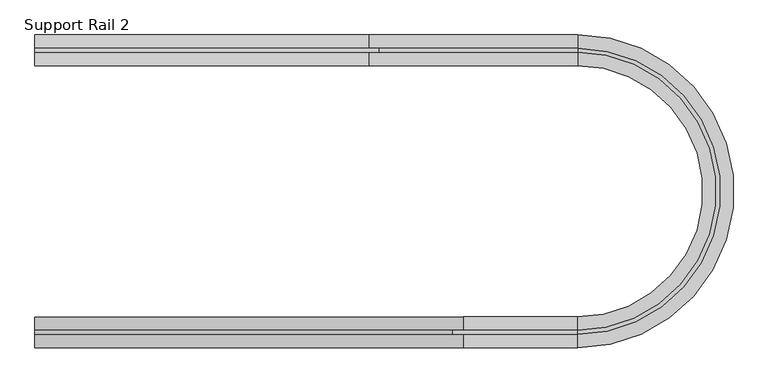
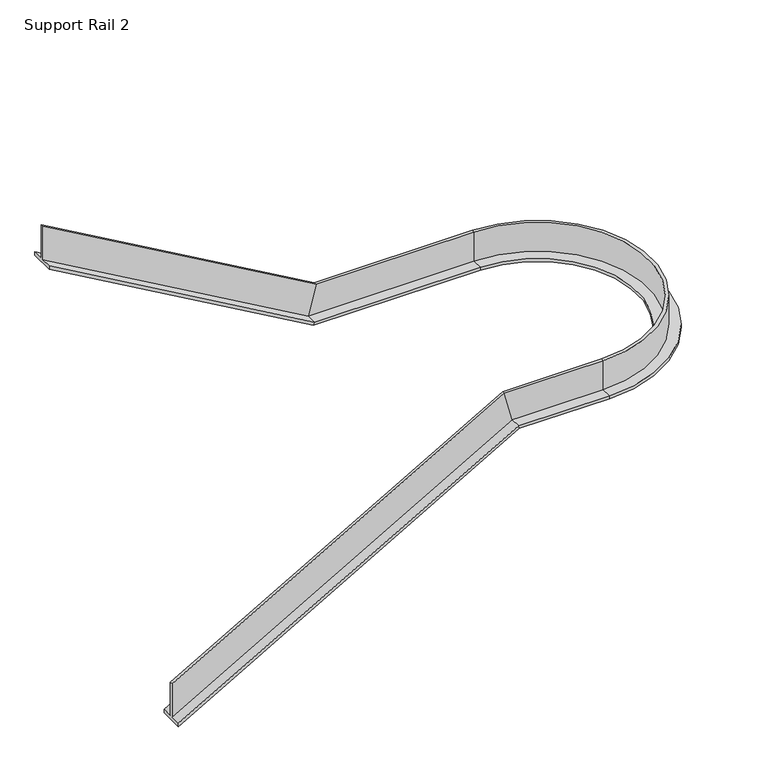
"""IFC4 building model written with IfcOpenShell, lengths in millimetres: railing geometry, Support Rail 2."""

from ifc_helpers import new_model, si_unit, frame, origin, place, context, project, spatial, polyline, circle_curve, source, transform, mapped, element, save
from ifc_brep_helpers import plane_surface, cylinder_surface, revolved_surface, advanced_brep


def support_rail_2_347eb7cb(model_context):
    return source(origin(), model_context, "Body", "AdvancedBrep", [
        advanced_brep(
        [(-4447.5942048, 3715.5540684, 2589.7062201), (-4447.5942048, 3804.4540684, 2589.7062201), (-4447.5942048, 3804.4540684, 2560.4172249), (-4447.5942048, 3601.2540684, 2560.4172249), (-4447.5942048, 3601.2540684, 2589.7062201), (-4447.5942048, 3690.1540684, 2589.7062201), (-4447.5942048, 3690.1540684, 2882.5961722), (-4447.5942048, 3715.5540684, 2882.5961722), (-2244.5675382, 3715.5540684, 1324.8105263), (-2244.5675382, 3804.4540684, 1324.8105263), (-2251.3408715, 3804.4540684, 1299.4105263), (-2251.3408715, 3601.2540684, 1299.4105263), (-2244.5675382, 3601.2540684, 1324.8105263), (-2244.5675382, 3690.1540684, 1324.8105263), (-2176.8342048, 3690.1540684, 1578.8105263), (-2176.8342048, 3715.5540684, 1578.8105263), (-866.1942048, 3715.5540684, 1324.8105263), (-866.1942048, 3804.4540684, 1324.8105263), (-866.1942048, 3804.4540684, 1299.4105263), (-866.1942048, 3601.2540684, 1299.4105263), (-866.1942048, 3601.2540684, 1324.8105263), (-866.1942048, 3690.1540684, 1324.8105263), (-866.1942048, 3690.1540684, 1578.8105263), (-866.1942048, 3715.5540684, 1578.8105263), (-866.1942048, 1739.8626429, 1324.8105263), (-866.1942048, 1828.7626429, 1324.8105263), (-866.1942048, 1739.8626429, 1299.4105263), (-866.1942048, 1943.0626429, 1299.4105263), (-866.1942048, 1943.0626429, 1324.8105263), (-866.1942048, 1854.1626429, 1324.8105263), (-866.1942048, 1854.1626429, 1578.8105263), (-866.1942048, 1828.7626429, 1578.8105263), (-1621.4208715, 1828.7626429, 1324.8105263), (-1621.4208715, 1739.8626429, 1324.8105263), (-1614.6475382, 1739.8626429, 1299.4105263), (-1614.6475382, 1943.0626429, 1299.4105263), (-1621.4208715, 1943.0626429, 1324.8105263), (-1621.4208715, 1854.1626429, 1324.8105263), (-1689.1542048, 1854.1626429, 1578.8105263), (-1689.1542048, 1828.7626429, 1578.8105263), (-4447.5942048, 1828.7626429, -297.8727273), (-4447.5942048, 1828.7626429, -4.9827751), (-4447.5942048, 1854.1626429, -4.9827751), (-4447.5942048, 1854.1626429, -297.8727273), (-4447.5942048, 1943.0626429, -297.8727273), (-4447.5942048, 1943.0626429, -327.1617225), (-4447.5942048, 1739.8626429, -327.1617225), (-4447.5942048, 1739.8626429, -297.8727273)],
        [
            (0, 1),
            (1, 2),
            (2, 3),
            (3, 4),
            (4, 5),
            (5, 6),
            (6, 7),
            (7, 0),
            (0, 8),
            (8, 9),
            (9, 1),
            (9, 10),
            (10, 2),
            (10, 11),
            (11, 3),
            (11, 12),
            (12, 4),
            (12, 13),
            (13, 5),
            (13, 14),
            (14, 6),
            (14, 15),
            (15, 7),
            (15, 8),
            (8, 16),
            (16, 17),
            (17, 9),
            (17, 18),
            (18, 10),
            (18, 19),
            (19, 11),
            (19, 20),
            (20, 12),
            (20, 21),
            (21, 13),
            (21, 22),
            (22, 14),
            (22, 23),
            (23, 15),
            (23, 16),
            (24, 17, circle_curve(frame((-866.1942048, 2772.1583556, 1324.8105263), z_axis=(0.0, 0.0, 1.0), x_axis=(0.0, 1.0, 0.0)), 1032.2957128)),
            (16, 25, circle_curve(frame((-866.1942048, 2772.1583556, 1324.8105263), z_axis=(0.0, 0.0, -1.0), x_axis=(0.0, 1.0, 0.0)), 943.3957128)),
            (25, 24),
            (26, 18, circle_curve(frame((-866.1942048, 2772.1583556, 1299.4105263), z_axis=(0.0, 0.0, 1.0), x_axis=(0.0, 1.0, 0.0)), 1032.2957128)),
            (24, 26),
            (27, 19, circle_curve(frame((-866.1942048, 2772.1583556, 1299.4105263), z_axis=(0.0, 0.0, 1.0), x_axis=(0.0, 1.0, 0.0)), 829.0957128)),
            (26, 27),
            (28, 20, circle_curve(frame((-866.1942048, 2772.1583556, 1324.8105263), z_axis=(0.0, 0.0, 1.0), x_axis=(0.0, 1.0, 0.0)), 829.0957128)),
            (27, 28),
            (29, 21, circle_curve(frame((-866.1942048, 2772.1583556, 1324.8105263), z_axis=(0.0, 0.0, 1.0), x_axis=(0.0, 1.0, 0.0)), 917.9957128)),
            (28, 29),
            (30, 22, circle_curve(frame((-866.1942048, 2772.1583556, 1578.8105263), z_axis=(0.0, 0.0, 1.0), x_axis=(0.0, 1.0, 0.0)), 917.9957128)),
            (29, 30),
            (31, 23, circle_curve(frame((-866.1942048, 2772.1583556, 1578.8105263), z_axis=(0.0, 0.0, 1.0), x_axis=(0.0, 1.0, 0.0)), 943.3957128)),
            (30, 31),
            (31, 25),
            (25, 32),
            (32, 33),
            (33, 24),
            (33, 34),
            (34, 26),
            (34, 35),
            (35, 27),
            (35, 36),
            (36, 28),
            (36, 37),
            (37, 29),
            (37, 38),
            (38, 30),
            (38, 39),
            (39, 31),
            (39, 32),
            (40, 41),
            (41, 42),
            (42, 43),
            (43, 44),
            (44, 45),
            (45, 46),
            (46, 47),
            (47, 40),
            (32, 40),
            (47, 33),
            (46, 34),
            (45, 35),
            (44, 36),
            (43, 37),
            (42, 38),
            (41, 39),
        ],
        [
            plane_surface(frame((-4447.5942048, 3702.8540684, 3937.0), z_axis=(-1.0, 0.0, 0.0), x_axis=(0.0, 1.0, 0.0))),
            plane_surface(frame((-4447.5942048, 3715.5540684, 2589.7062201), z_axis=(0.4979253112033197, 0.0, 0.867219917012448), x_axis=(0.867219917012448, 0.0, -0.4979253112033197))),
            plane_surface(frame((-4447.5942048, 3804.4540684, 2589.7062201), z_axis=(0.0, 1.0, 0.0), x_axis=(0.867219917012448, 0.0, -0.4979253112033196))),
            plane_surface(frame((-4447.5942048, 3804.4540684, 2560.4172249), z_axis=(-0.49792531120331973, 0.0, -0.867219917012448), x_axis=(0.867219917012448, 0.0, -0.49792531120331973))),
            plane_surface(frame((-4447.5942048, 3601.2540684, 2560.4172249), z_axis=(0.0, -1.0, 0.0), x_axis=(0.867219917012448, 0.0, -0.4979253112033196))),
            plane_surface(frame((-4447.5942048, 3601.2540684, 2589.7062201), z_axis=(0.4979253112033197, 0.0, 0.867219917012448), x_axis=(0.867219917012448, 0.0, -0.4979253112033197))),
            plane_surface(frame((-4447.5942048, 3690.1540684, 2589.7062201), z_axis=(0.0, -1.0, 0.0), x_axis=(0.867219917012448, 0.0, -0.4979253112033197))),
            plane_surface(frame((-4447.5942048, 3690.1540684, 2882.5961722), z_axis=(0.4979253112033195, 0.0, 0.8672199170124482), x_axis=(0.8672199170124482, 0.0, -0.4979253112033195))),
            plane_surface(frame((-4447.5942048, 3715.5540684, 2882.5961722), z_axis=(0.0, 1.0000000000000002, 0.0), x_axis=(0.8672199170124482, 0.0, -0.4979253112033196))),
            plane_surface(frame((-2244.5675382, 3715.5540684, 1324.8105263), z_axis=(0.0, 0.0, 1.0), x_axis=(1.0, 0.0, 0.0))),
            plane_surface(frame((-2244.5675382, 3804.4540684, 1324.8105263), z_axis=(0.0, 1.0, 0.0), x_axis=(1.0, 0.0, 0.0))),
            plane_surface(frame((-2251.3408715, 3804.4540684, 1299.4105263), z_axis=(0.0, 0.0, -1.0), x_axis=(1.0, 0.0, 0.0))),
            plane_surface(frame((-2251.3408715, 3601.2540684, 1299.4105263), z_axis=(0.0, -1.0, 0.0), x_axis=(1.0, 0.0, 0.0))),
            plane_surface(frame((-2244.5675382, 3601.2540684, 1324.8105263), z_axis=(0.0, 0.0, 1.0), x_axis=(1.0, 0.0, 0.0))),
            plane_surface(frame((-2244.5675382, 3690.1540684, 1324.8105263), z_axis=(0.0, -1.0, 0.0), x_axis=(1.0, 0.0, 0.0))),
            plane_surface(frame((-2176.8342048, 3690.1540684, 1578.8105263), z_axis=(0.0, 0.0, 1.0), x_axis=(1.0, 0.0, 0.0))),
            plane_surface(frame((-2176.8342048, 3715.5540684, 1578.8105263), z_axis=(0.0, 1.0, 0.0), x_axis=(1.0, 0.0, 0.0))),
            plane_surface(frame((-866.1942048, 2772.1583556, 1324.8105263), z_axis=(0.0, 0.0, 1.0), x_axis=(0.0, 1.0, 0.0))),
            cylinder_surface(frame((-866.1942048, 2772.1583556, 2493.2105263), z_axis=(0.0, 0.0, -1.0), x_axis=(0.0, 1.0, 0.0)), 1032.2957128),
            plane_surface(frame((-866.1942048, 2772.1583556, 1299.4105263), z_axis=(0.0, 0.0, -1.0), x_axis=(0.0, 1.0, 0.0))),
            revolved_surface(polyline([(-866.1942048, 3601.2540684, 1299.4105263), (-866.1942048, 3601.2540684, 1324.8105263)]), (-866.1942048, 2772.1583556, 2493.2105263), (0.0, 0.0, -1.0)),
            revolved_surface(polyline([(-866.1942048, 3690.1540684, 1324.8105263), (-866.1942048, 3690.1540684, 1578.8105263)]), (-866.1942048, 2772.1583556, 2493.2105263), (0.0, 0.0, -1.0)),
            plane_surface(frame((-866.1942048, 2772.1583556, 1578.8105263), z_axis=(0.0, 0.0, 1.0), x_axis=(0.0, 1.0, 0.0))),
            cylinder_surface(frame((-866.1942048, 2772.1583556, 2493.2105263), z_axis=(0.0, 0.0, -1.0), x_axis=(0.0, 1.0, 0.0)), 943.3957128),
            plane_surface(frame((-866.1942048, 1828.7626429, 1324.8105263), z_axis=(0.0, 0.0, 1.0), x_axis=(-1.0, 0.0, 0.0))),
            plane_surface(frame((-866.1942048, 1739.8626429, 1324.8105263), z_axis=(0.0, -1.0, 0.0), x_axis=(-1.0, 0.0, 0.0))),
            plane_surface(frame((-866.1942048, 1739.8626429, 1299.4105263), z_axis=(0.0, 0.0, -1.0), x_axis=(-1.0, 0.0, 0.0))),
            plane_surface(frame((-866.1942048, 1943.0626429, 1299.4105263), z_axis=(0.0, 1.0, 0.0), x_axis=(-1.0, 0.0, 0.0))),
            plane_surface(frame((-866.1942048, 1943.0626429, 1324.8105263), z_axis=(0.0, 0.0, 1.0), x_axis=(-1.0, 0.0, 0.0))),
            plane_surface(frame((-866.1942048, 1854.1626429, 1324.8105263), z_axis=(0.0, 1.0, 0.0), x_axis=(-1.0, 0.0, 0.0))),
            plane_surface(frame((-866.1942048, 1854.1626429, 1578.8105263), z_axis=(0.0, 0.0, 1.0), x_axis=(-1.0, 0.0, 0.0))),
            plane_surface(frame((-866.1942048, 1828.7626429, 1578.8105263), z_axis=(0.0, -1.0, 0.0), x_axis=(-1.0, 0.0, 0.0))),
            plane_surface(frame((-4447.5942048, 1841.4626429, 1049.4210526), z_axis=(-1.0, 0.0, 0.0), x_axis=(0.0, -1.0, 0.0))),
            plane_surface(frame((-1621.4208715, 1828.7626429, 1324.8105263), z_axis=(-0.49792531120331907, 0.0, 0.8672199170124485), x_axis=(-0.8672199170124485, 0.0, -0.49792531120331907))),
            plane_surface(frame((-1621.4208715, 1739.8626429, 1324.8105263), z_axis=(0.0, -1.0000000000000002, 0.0), x_axis=(-0.8672199170124485, 0.0, -0.49792531120331907))),
            plane_surface(frame((-1614.6475382, 1739.8626429, 1299.4105263), z_axis=(0.49792531120331895, 0.0, -0.8672199170124485), x_axis=(-0.8672199170124485, 0.0, -0.49792531120331895))),
            plane_surface(frame((-1614.6475382, 1943.0626429, 1299.4105263), z_axis=(0.0, 1.0, 0.0), x_axis=(-0.8672199170124485, 0.0, -0.49792531120331895))),
            plane_surface(frame((-1621.4208715, 1943.0626429, 1324.8105263), z_axis=(-0.49792531120331907, 0.0, 0.8672199170124485), x_axis=(-0.8672199170124485, 0.0, -0.49792531120331907))),
            plane_surface(frame((-1621.4208715, 1854.1626429, 1324.8105263), z_axis=(0.0, 1.0000000000000002, 0.0), x_axis=(-0.8672199170124485, 0.0, -0.49792531120331907))),
            plane_surface(frame((-1689.1542048, 1854.1626429, 1578.8105263), z_axis=(-0.49792531120331895, 0.0, 0.8672199170124485), x_axis=(-0.8672199170124485, 0.0, -0.49792531120331895))),
            plane_surface(frame((-1689.1542048, 1828.7626429, 1578.8105263), z_axis=(0.0, -1.0, 0.0), x_axis=(-0.8672199170124485, 0.0, -0.49792531120331895))),
        ],
        [
            (0, [[1, 2, 3, 4, 5, 6, 7, 8]]),
            (1, [[-1, 9, 10, 11]]),
            (2, [[-2, -11, 12, 13]]),
            (3, [[-3, -13, 14, 15]]),
            (4, [[-4, -15, 16, 17]]),
            (5, [[-5, -17, 18, 19]]),
            (6, [[-6, -19, 20, 21]]),
            (7, [[-7, -21, 22, 23]]),
            (8, [[-8, -23, 24, -9]]),
            (9, [[-10, 25, 26, 27]]),
            (10, [[-12, -27, 28, 29]]),
            (11, [[-14, -29, 30, 31]]),
            (12, [[-16, -31, 32, 33]]),
            (13, [[-18, -33, 34, 35]]),
            (14, [[-20, -35, 36, 37]]),
            (15, [[-22, -37, 38, 39]]),
            (16, [[-24, -39, 40, -25]]),
            (17, [[41, -26, 42, 43]]),
            (18, [[44, -28, -41, 45]]),
            (19, [[46, -30, -44, 47]]),
            (20, [[48, -32, -46, 49]]),
            (17, [[50, -34, -48, 51]]),
            (21, [[52, -36, -50, 53]]),
            (22, [[54, -38, -52, 55]]),
            (23, [[-42, -40, -54, 56]]),
            (24, [[-43, 57, 58, 59]]),
            (25, [[-45, -59, 60, 61]]),
            (26, [[-47, -61, 62, 63]]),
            (27, [[-49, -63, 64, 65]]),
            (28, [[-51, -65, 66, 67]]),
            (29, [[-53, -67, 68, 69]]),
            (30, [[-55, -69, 70, 71]]),
            (31, [[-56, -71, 72, -57]]),
            (32, [[73, 74, 75, 76, 77, 78, 79, 80]]),
            (33, [[-58, 81, -80, 82]]),
            (34, [[-60, -82, -79, 83]]),
            (35, [[-62, -83, -78, 84]]),
            (36, [[-64, -84, -77, 85]]),
            (37, [[-66, -85, -76, 86]]),
            (38, [[-68, -86, -75, 87]]),
            (39, [[-70, -87, -74, 88]]),
            (40, [[-72, -88, -73, -81]]),
        ],
    ),
    ])


if __name__ == "__main__":
    model = new_model("IFC4")
    model_context = context("Model", 3, world=origin())
    ifc_project = project(units=[si_unit("LENGTHUNIT", "METRE", prefix="MILLI")], contexts=[model_context])
    site = spatial("IfcSite", under=ifc_project)
    building = spatial("IfcBuilding", under=site)
    placement = place(None, origin())
    support_rail_2_shape = support_rail_2_347eb7cb(model_context)
    element("IfcRailing", 1, ObjectType="Support Rail 2", at=placement, inside=building, context=model_context, shape_type="MappedRepresentation", body=[
        mapped(support_rail_2_shape, transform((0.0, 0.0, 0.0), x_axis=(1.0, 0.0, 0.0), y_axis=(0.0, 1.0, 0.0), z_axis=(0.0, 0.0, 1.0))),
    ])
    save(model, "model.ifc")
